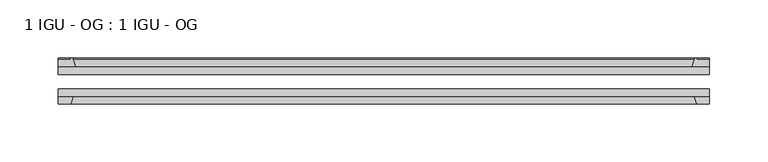
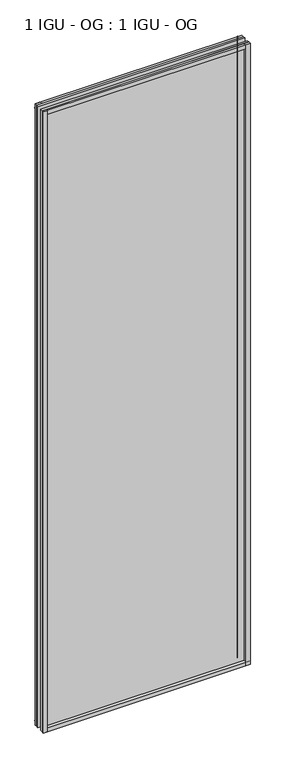
"""IFC4 building model written with IfcOpenShell, lengths in millimetres: plate geometry, 1 IGU - OG : 1 IGU - OG."""

from ifc_helpers import new_model, si_unit, point, frame, frame_2d, origin, place, context, project, spatial, polyline, circle_curve, trimmed, segment, composite_curve, outline, extrude, source, transform, mapped, element, save


def plate_1_igu_og_1_igu_og_b4f48d70(model_context):
    return source(origin(), model_context, "Body", "SweptSolid", [
        extrude(outline(polyline([(280.9875, -31.75), (280.9875, -38.1), (-280.9875, -38.1), (-280.9875, -31.75), (280.9875, -31.75)])), frame((0.0, 0.0, -11.1125), z_axis=(0.0, 0.0, 1.0), x_axis=(1.0, 0.0, 0.0)), (0.0, 0.0, 1.0), 1781.175),
        extrude(outline(polyline([(-280.9875, -12.7), (280.9875, -12.7), (280.9875, -19.05), (-280.9875, -19.05), (-280.9875, -12.7)])), frame((0.0, 0.0, -11.1125), z_axis=(0.0, 0.0, 1.0), x_axis=(1.0, 0.0, 0.0)), (0.0, 0.0, 1.0), 1781.175),
        extrude(outline(composite_curve([segment(polyline([(-265.6517091, -12.7), (-280.9875, -12.7), (-280.9875, -6.35), (-269.875, -6.35), (-269.875, -4.7751661), (-268.945586, -4.7751661)]), True, "CONTINUOUS"), segment(trimmed(circle_curve(frame_2d((-268.945586, -5.5371661)), 0.762), [point((-268.945586, -4.7751661))], [point((-268.2033761, -5.364631))], False, "CARTESIAN"), True, "CONTINUOUS"), segment(trimmed(circle_curve(frame_2d((-232.5741579, 2.9177851)), 36.5792237), [point((-268.2033761, -5.364631))], [point((-265.6517091, -12.7))], True, "CARTESIAN"), True, "CONTINUOUS")], self_intersect=False)), frame((0.0, 0.0, -11.1125), z_axis=(0.0, 0.0, 1.0), x_axis=(1.0, 0.0, 0.0)), (0.0, 0.0, 1.0), 1781.175),
        extrude(outline(polyline([(-280.9875, -38.1), (-267.7697229, -38.1), (-269.875, -44.45), (-280.9875, -44.45), (-280.9875, -38.1)])), frame((0.0, 0.0, -11.1125), z_axis=(0.0, 0.0, 1.0), x_axis=(1.0, 0.0, 0.0)), (0.0, 0.0, 1.0), 1781.175),
        extrude(outline(composite_curve([segment(trimmed(circle_curve(frame_2d((268.945586, -5.5371661)), 0.762), [point((268.2033761, -5.364631))], [point((268.945586, -4.7751661))], False, "CARTESIAN"), True, "CONTINUOUS"), segment(polyline([(268.945586, -4.7751661), (269.875, -4.7751661), (269.875, -6.35), (280.9875, -6.35), (280.9875, -12.7), (265.6517091, -12.7)]), True, "CONTINUOUS"), segment(trimmed(circle_curve(frame_2d((232.5741579, 2.9177851)), 36.5792237), [point((265.6517091, -12.7))], [point((268.2033761, -5.364631))], True, "CARTESIAN"), True, "CONTINUOUS")], self_intersect=False)), frame((0.0, 0.0, -11.1125), z_axis=(0.0, 0.0, 1.0), x_axis=(1.0, 0.0, 0.0)), (0.0, 0.0, 1.0), 1781.175),
        extrude(outline(polyline([(267.7697229, -38.1), (280.9875, -38.1), (280.9875, -44.45), (269.875, -44.45), (267.7697229, -38.1)])), frame((0.0, 0.0, -11.1125), z_axis=(0.0, 0.0, 1.0), x_axis=(1.0, 0.0, 0.0)), (0.0, 0.0, 1.0), 1781.175),
        extrude(outline(composite_curve([segment(polyline([(-12.7, -11.1125), (-12.7, 4.2232909)]), True, "CONTINUOUS"), segment(trimmed(circle_curve(frame_2d((2.9177851, 37.3008421)), 36.5792237), [point((-12.7, 4.2232909))], [point((-5.364631, 1.6716239))], True, "CARTESIAN"), True, "CONTINUOUS"), segment(trimmed(circle_curve(frame_2d((-5.5371661, 0.929414)), 0.762), [point((-5.364631, 1.6716239))], [point((-4.7751661, 0.929414))], False, "CARTESIAN"), True, "CONTINUOUS"), segment(polyline([(-4.7751661, 0.929414), (-4.7751661, 0.0), (-6.35, 0.0), (-6.35, -11.1125), (-12.7, -11.1125)]), True, "CONTINUOUS")], self_intersect=False)), frame((-280.9875, 0.0, 0.0), z_axis=(1.0, 0.0, 0.0), x_axis=(0.0, 1.0, 0.0)), (0.0, 0.0, 1.0), 561.975),
        extrude(outline(polyline([(-38.1, 2.1052771), (-38.1, -11.1125), (-44.45, -11.1125), (-44.45, 0.0), (-38.1, 2.1052771)])), frame((-280.9875, 0.0, 0.0), z_axis=(1.0, 0.0, 0.0), x_axis=(0.0, 1.0, 0.0)), (0.0, 0.0, 1.0), 561.975),
        extrude(outline(composite_curve([segment(trimmed(circle_curve(frame_2d((2.9177851, 1721.6491578)), 36.5792237), [point((-5.364631, 1757.278376))], [point((-12.7, 1754.7267091))], True, "CARTESIAN"), True, "CONTINUOUS"), segment(polyline([(-12.7, 1754.7267091), (-12.7, 1770.0625), (-6.35, 1770.0625), (-6.35, 1758.95), (-4.7751661, 1758.95), (-4.7751661, 1758.020586)]), True, "CONTINUOUS"), segment(trimmed(circle_curve(frame_2d((-5.5371661, 1758.020586)), 0.762), [point((-4.7751661, 1758.020586))], [point((-5.364631, 1757.278376))], False, "CARTESIAN"), True, "CONTINUOUS")], self_intersect=False)), frame((-280.9875, 0.0, 0.0), z_axis=(1.0, 0.0, 0.0), x_axis=(0.0, 1.0, 0.0)), (0.0, 0.0, 1.0), 561.975),
        extrude(outline(polyline([(-38.1, 1770.0625), (-38.1, 1756.8447229), (-44.45, 1758.95), (-44.45, 1770.0625), (-38.1, 1770.0625)])), frame((-280.9875, 0.0, 0.0), z_axis=(1.0, 0.0, 0.0), x_axis=(0.0, 1.0, 0.0)), (0.0, 0.0, 1.0), 561.975),
    ])


if __name__ == "__main__":
    model = new_model("IFC4")
    model_context = context("Model", 3, world=origin())
    ifc_project = project(units=[si_unit("LENGTHUNIT", "METRE", prefix="MILLI")], contexts=[model_context])
    site = spatial("IfcSite", under=ifc_project)
    building = spatial("IfcBuilding", under=site)
    placement = place(None, origin())
    plate_1_igu_og_1_igu_og_shape = plate_1_igu_og_1_igu_og_b4f48d70(model_context)
    element("IfcPlate", 1, ObjectType="1 IGU - OG : 1 IGU - OG", at=placement, inside=building, context=model_context, shape_type="MappedRepresentation", body=[
        mapped(plate_1_igu_og_1_igu_og_shape, transform((0.0, 0.0, 0.0), x_axis=(1.0, 0.0, 0.0), y_axis=(0.0, 1.0, 0.0), z_axis=(0.0, 0.0, 1.0))),
    ])
    save(model, "model.ifc")
